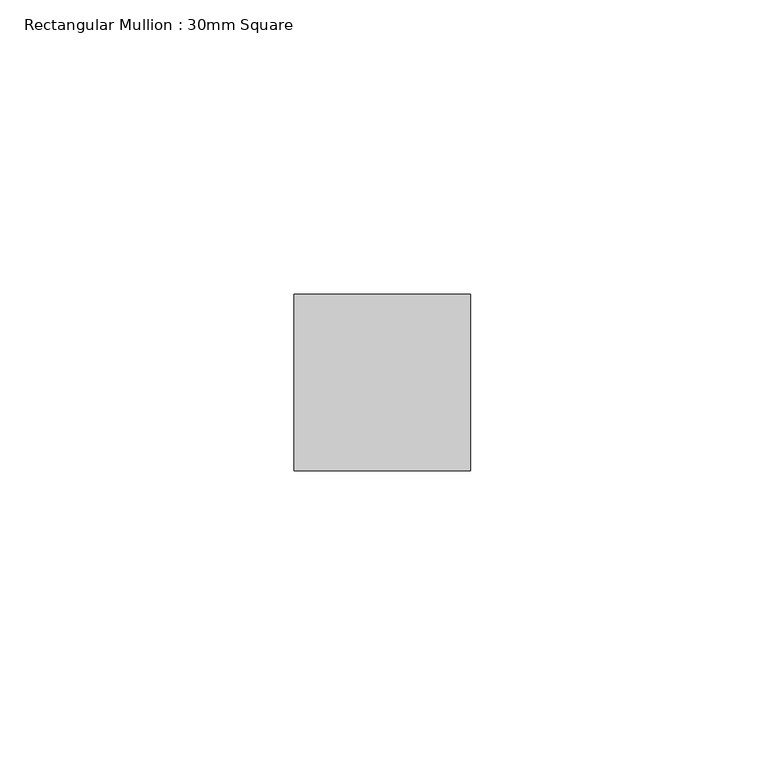
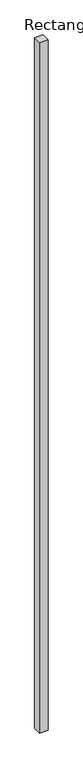
"""IFC4 building model written with IfcOpenShell, lengths in millimetres: member geometry, Rectangular Mullion : 30mm Square."""

from ifc_helpers import new_model, si_unit, frame, origin, place, context, project, spatial, polyline, outline, extrude, source, transform, mapped, element, save


def rectangular_mullion_30mm_square_45dcef5c(model_context):
    return source(origin(), model_context, "Body", "SweptSolid", [
        extrude(outline(polyline([(15.0, 15.0), (15.0, -15.0), (-15.0, -15.0), (-15.0, 15.0), (15.0, 15.0)])), frame((0.0, 0.0, -2600.0), z_axis=(0.0, 0.0, 1.0), x_axis=(1.0, 0.0, 0.0)), (0.0, 0.0, 1.0), 2600.0),
    ])


if __name__ == "__main__":
    model = new_model("IFC4")
    model_context = context("Model", 3, world=origin())
    ifc_project = project(units=[si_unit("LENGTHUNIT", "METRE", prefix="MILLI")], contexts=[model_context])
    site = spatial("IfcSite", under=ifc_project)
    building = spatial("IfcBuilding", under=site)
    placement = place(None, origin())
    rectangular_mullion_30mm_square_shape = rectangular_mullion_30mm_square_45dcef5c(model_context)
    element("IfcMember", 1, ObjectType="Rectangular Mullion : 30mm Square", at=placement, inside=building, context=model_context, shape_type="MappedRepresentation", body=[
        mapped(rectangular_mullion_30mm_square_shape, transform((0.0, 0.0, 0.0), x_axis=(1.0, 0.0, 0.0), y_axis=(0.0, 1.0, 0.0), z_axis=(0.0, 0.0, 1.0))),
    ])
    save(model, "model.ifc")
